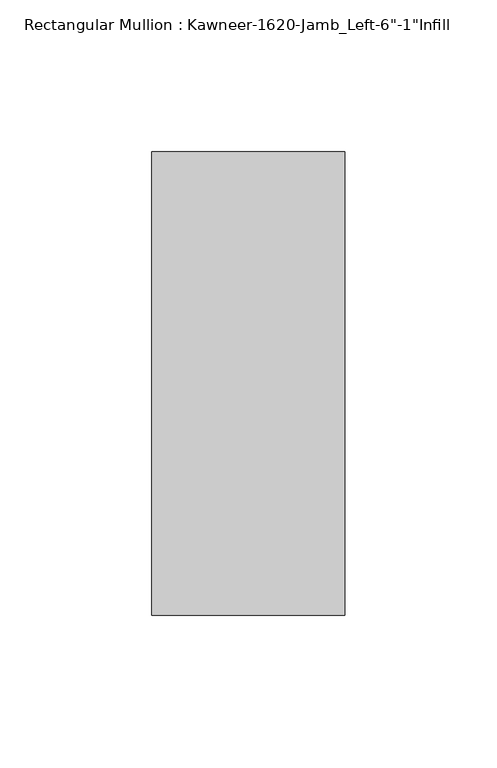
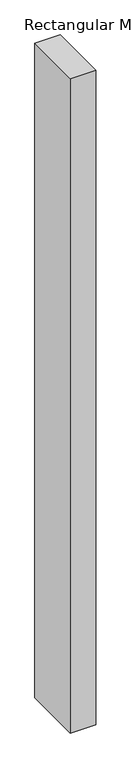
"""IFC4 building model written with IfcOpenShell, lengths in millimetres: member geometry."""

from ifc_helpers import new_model, si_unit, frame, origin, place, context, project, spatial, polyline, outline, extrude, source, transform, mapped, element, save


def member_1c84f4d7(model_context):
    return source(origin(), model_context, "Body", "SweptSolid", [
        extrude(outline(polyline([(22.225, 38.1), (22.225, -114.3), (-41.275, -114.3), (-41.275, 38.1), (22.225, 38.1)])), frame((0.0, 0.0, -1720.85), z_axis=(0.0, 0.0, 1.0), x_axis=(1.0, 0.0, 0.0)), (0.0, 0.0, 1.0), 1720.85),
    ])


if __name__ == "__main__":
    model = new_model("IFC4")
    model_context = context("Model", 3, world=origin())
    ifc_project = project(units=[si_unit("LENGTHUNIT", "METRE", prefix="MILLI")], contexts=[model_context])
    site = spatial("IfcSite", under=ifc_project)
    building = spatial("IfcBuilding", under=site)
    placement = place(None, origin())
    member_shape = member_1c84f4d7(model_context)
    element("IfcMember", 1, ObjectType="Rectangular Mullion : Kawneer-1620-Jamb_Left-6\"-1\"Infill", at=placement, inside=building, context=model_context, shape_type="MappedRepresentation", body=[
        mapped(member_shape, transform((0.0, 0.0, 0.0), x_axis=(1.0, 0.0, 0.0), y_axis=(0.0, 1.0, 0.0), z_axis=(0.0, 0.0, 1.0))),
    ])
    save(model, "model.ifc")
